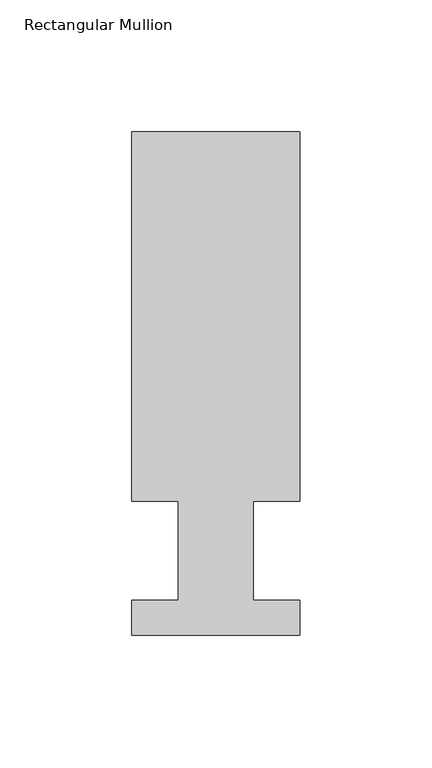
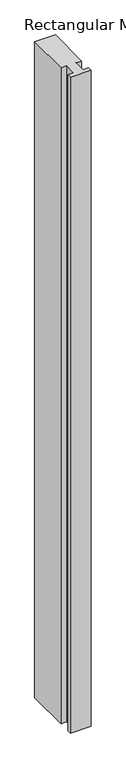
"""IFC4 building model written with IfcOpenShell, lengths in millimetres: member geometry, Rectangular Mullion."""

from ifc_helpers import new_model, si_unit, frame, origin, place, context, project, spatial, polyline, outline, extrude, source, transform, mapped, element, save


def rectangular_mullion_99058873(model_context):
    return source(origin(), model_context, "Body", "SweptSolid", [
        extrude(outline(polyline([(-31.75, 190.7881312), (31.7500004, 190.7881312), (31.7500004, 50.8087294), (14.2748004, 50.8087294), (14.2748004, 13.3945312), (31.7500004, 13.3945312), (31.7500004, 0.2119312), (-31.7499996, 0.2119312), (-31.7499996, 13.3945312), (-14.2747996, 13.3945312), (-14.2747996, 50.8087294), (-31.75, 50.8087294), (-31.75, 190.7881312)])), frame((0.0, 0.0, -2133.6), z_axis=(0.0, 0.0, 1.0), x_axis=(1.0, 0.0, 0.0)), (0.0, 0.0, 1.0), 2133.6),
    ])


if __name__ == "__main__":
    model = new_model("IFC4")
    model_context = context("Model", 3, world=origin())
    ifc_project = project(units=[si_unit("LENGTHUNIT", "METRE", prefix="MILLI")], contexts=[model_context])
    site = spatial("IfcSite", under=ifc_project)
    building = spatial("IfcBuilding", under=site)
    placement = place(None, origin())
    rectangular_mullion_shape = rectangular_mullion_99058873(model_context)
    element("IfcMember", 1, ObjectType="Rectangular Mullion", at=placement, inside=building, context=model_context, shape_type="MappedRepresentation", body=[
        mapped(rectangular_mullion_shape, transform((0.0, 0.0, 0.0), x_axis=(1.0, 0.0, 0.0), y_axis=(0.0, 1.0, 0.0), z_axis=(0.0, 0.0, 1.0))),
    ])
    save(model, "model.ifc")
